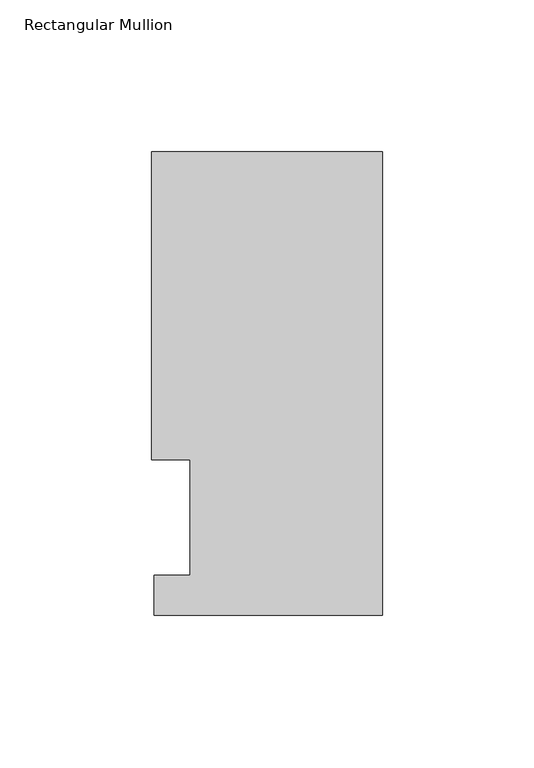
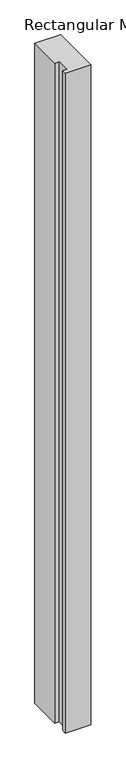
"""IFC4 building model written with IfcOpenShell, lengths in millimetres: member geometry, Rectangular Mullion."""

from ifc_helpers import new_model, si_unit, frame, origin, place, context, project, spatial, polyline, outline, extrude, source, transform, mapped, element, save


def rectangular_mullion_0ac4815c(model_context):
    return source(origin(), model_context, "Body", "SweptSolid", [
        extrude(outline(polyline([(-76.2, 152.8960938), (0.0, 152.8960938), (0.0, 0.0084138), (-75.4126006, 0.0084138), (-75.4126006, 13.1960937), (-63.4999994, 13.1960937), (-63.4999994, 51.2960937), (-76.2, 51.2960937), (-76.2, 152.8960938)])), frame((0.0, 0.0, -2057.4), z_axis=(0.0, 0.0, 1.0), x_axis=(1.0, 0.0, 0.0)), (0.0, 0.0, 1.0), 2057.4),
    ])


if __name__ == "__main__":
    model = new_model("IFC4")
    model_context = context("Model", 3, world=origin())
    ifc_project = project(units=[si_unit("LENGTHUNIT", "METRE", prefix="MILLI")], contexts=[model_context])
    site = spatial("IfcSite", under=ifc_project)
    building = spatial("IfcBuilding", under=site)
    placement = place(None, origin())
    rectangular_mullion_shape = rectangular_mullion_0ac4815c(model_context)
    element("IfcMember", 1, ObjectType="Rectangular Mullion", at=placement, inside=building, context=model_context, shape_type="MappedRepresentation", body=[
        mapped(rectangular_mullion_shape, transform((0.0, 0.0, 0.0), x_axis=(1.0, 0.0, 0.0), y_axis=(0.0, 1.0, 0.0), z_axis=(0.0, 0.0, 1.0))),
    ])
    save(model, "model.ifc")
